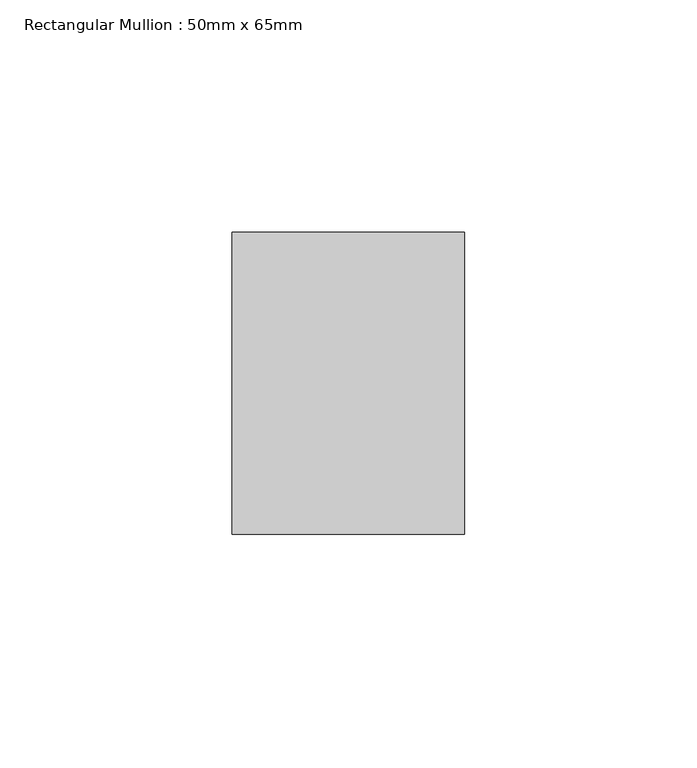
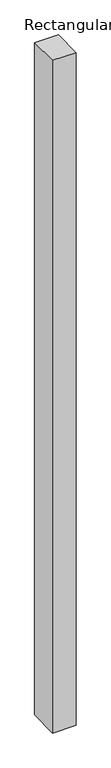
"""IFC4 building model written with IfcOpenShell, lengths in millimetres: member geometry, Rectangular Mullion : 50mm x 65mm."""

from ifc_helpers import new_model, si_unit, frame, origin, place, context, project, spatial, polyline, outline, extrude, source, transform, mapped, element, save


def rectangular_mullion_50mm_x_65mm_1bac0d1c(model_context):
    return source(origin(), model_context, "Body", "SweptSolid", [
        extrude(outline(polyline([(-32.5, 0.0), (32.5, 0.0), (32.5, -1499.3985811), (-32.5, -1500.6030137), (-32.5, 0.0)])), frame((-25.0, 0.0, 0.0), z_axis=(1.0, 0.0, 0.0), x_axis=(0.0, 1.0, 0.0)), (0.0, 0.0, 1.0), 50.0),
    ])


if __name__ == "__main__":
    model = new_model("IFC4")
    model_context = context("Model", 3, world=origin())
    ifc_project = project(units=[si_unit("LENGTHUNIT", "METRE", prefix="MILLI")], contexts=[model_context])
    site = spatial("IfcSite", under=ifc_project)
    building = spatial("IfcBuilding", under=site)
    placement = place(None, origin())
    rectangular_mullion_50mm_x_65mm_shape = rectangular_mullion_50mm_x_65mm_1bac0d1c(model_context)
    element("IfcMember", 1, ObjectType="Rectangular Mullion : 50mm x 65mm", at=placement, inside=building, context=model_context, shape_type="MappedRepresentation", body=[
        mapped(rectangular_mullion_50mm_x_65mm_shape, transform((0.0, 0.0, 0.0), x_axis=(1.0, 0.0, 0.0), y_axis=(0.0, 1.0, 0.0), z_axis=(0.0, 0.0, 1.0))),
    ])
    save(model, "model.ifc")
